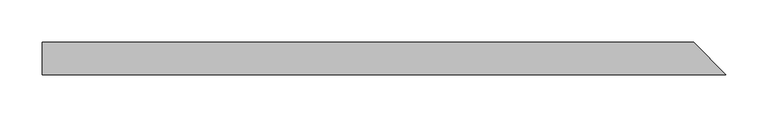
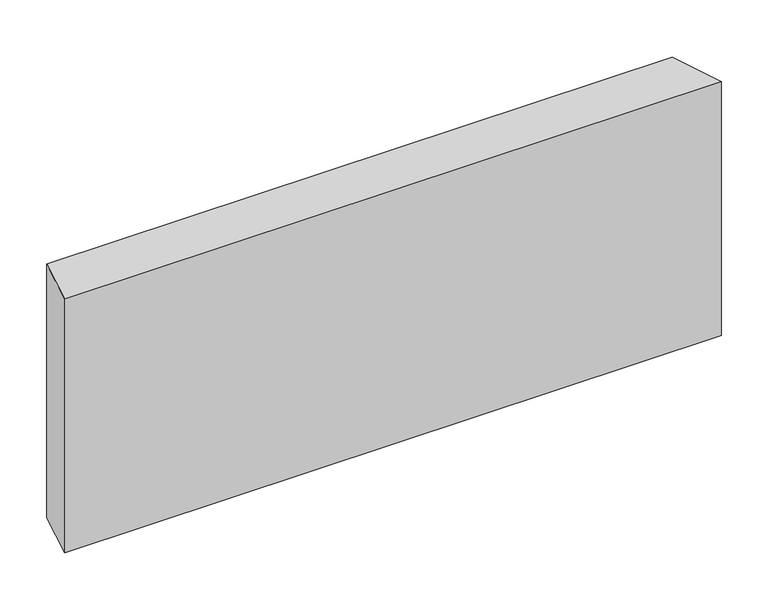
"""IFC4 building model written with IfcOpenShell, lengths in millimetres: beam geometry."""

from ifc_helpers import new_model, si_unit, origin, place, context, project, spatial, faceted_brep, source, transform, mapped, element, save


def beam_431b82f6(model_context):
    return source(origin(), model_context, "Body", "Brep", [
        faceted_brep([(413.6296158, -19.05, 154.2944112), (-394.5796158, -19.05, 154.2944112), (-394.5796158, -19.05, -176.5194112), (413.6296158, -19.05, -176.5194112), (375.5296158, 19.05, 176.5194112), (375.5296158, 19.05, -154.2944112), (-394.5796158, 19.05, -154.2944112), (-394.5796158, 19.05, 176.5194112)], [[[0, 1, 2, 3]], [[4, 5, 6, 7]], [[5, 4, 0, 3]], [[6, 5, 3, 2]], [[7, 6, 2, 1]], [[4, 7, 1, 0]]]),
    ])


if __name__ == "__main__":
    model = new_model("IFC4")
    model_context = context("Model", 3, world=origin())
    ifc_project = project(units=[si_unit("LENGTHUNIT", "METRE", prefix="MILLI")], contexts=[model_context])
    site = spatial("IfcSite", under=ifc_project)
    building = spatial("IfcBuilding", under=site)
    placement = place(None, origin())
    beam_shape = beam_431b82f6(model_context)
    element("IfcBeam", 1, at=placement, inside=building, context=model_context, shape_type="MappedRepresentation", body=[
        mapped(beam_shape, transform((0.0, 0.0, 0.0), x_axis=(1.0, 0.0, 0.0), y_axis=(0.0, 1.0, 0.0), z_axis=(0.0, 0.0, 1.0))),
    ])
    save(model, "model.ifc")
